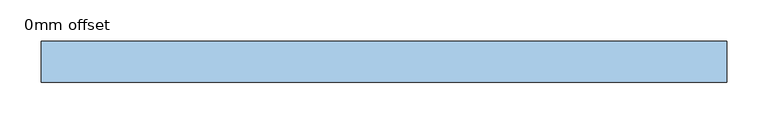
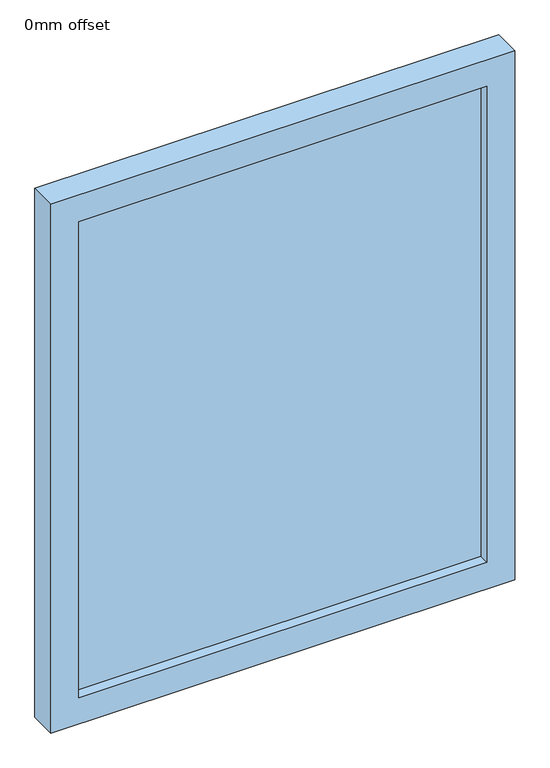
"""IFC4 building model written with IfcOpenShell, lengths in millimetres: window geometry, 0mm offset."""

from ifc_helpers import new_model, si_unit, frame, origin, place, context, project, spatial, polyline, outline, extrude, source, transform, mapped, element, save


def window_0mm_offset_75024b3a(model_context):
    return source(origin(), model_context, "Body", "SweptSolid", [
        extrude(outline(polyline([(366.875, -30.95), (-366.875, -30.95), (-366.875, -18.25), (366.875, -18.25), (366.875, -30.95)])), frame((0.0, 0.0, 50.0), z_axis=(0.0, 0.0, 1.0), x_axis=(1.0, 0.0, 0.0)), (0.0, 0.0, 1.0), 905.0),
        extrude(outline(polyline([(1005.0, -416.875), (0.0, -416.875), (0.0, 416.875), (1005.0, 416.875), (1005.0, -416.875)]), holes=[polyline([(955.0, -366.875), (955.0, 366.875), (50.0, 366.875), (50.0, -366.875), (955.0, -366.875)])]), frame((0.0, -50.0, 0.0), z_axis=(0.0, 1.0, 0.0), x_axis=(0.0, 0.0, 1.0)), (0.0, 0.0, 1.0), 50.0),
    ])


if __name__ == "__main__":
    model = new_model("IFC4")
    model_context = context("Model", 3, world=origin())
    ifc_project = project(units=[si_unit("LENGTHUNIT", "METRE", prefix="MILLI")], contexts=[model_context])
    site = spatial("IfcSite", under=ifc_project)
    building = spatial("IfcBuilding", under=site)
    placement = place(None, origin())
    window_0mm_offset_shape = window_0mm_offset_75024b3a(model_context)
    element("IfcWindow", 1, ObjectType="0mm offset", at=placement, inside=building, context=model_context, shape_type="MappedRepresentation", body=[
        mapped(window_0mm_offset_shape, transform((0.0, 0.0, 0.0), x_axis=(1.0, 0.0, 0.0), y_axis=(0.0, 1.0, 0.0), z_axis=(0.0, 0.0, 1.0))),
    ])
    save(model, "model.ifc")
